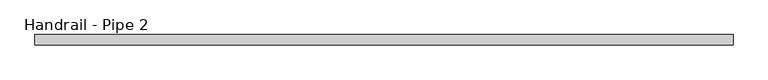
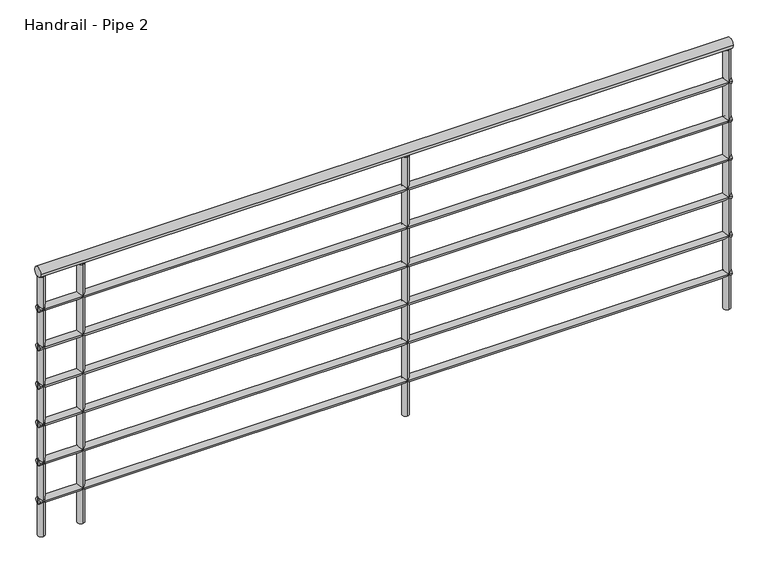
"""IFC4 building model written with IfcOpenShell, lengths in millimetres: railing geometry, Handrail - Pipe 2."""

import ifcopenshell
import ifcopenshell.guid

model = None  # the IFC model being written
_history = None  # IfcOwnerHistory: only IFC2X3 demands one
_inside = {}  # id of a spatial element -> (the spatial element, [elements in it])
_under = {}  # id of a project, library or spatial element -> (it, [spatial elements below it])
_declared = {}  # id of a project -> (the project, [libraries it declares])
_typed = {}  # id of a type object -> (the type object, [elements of that type])
_made_of = {}  # id of a material, layer set ... -> (it, [elements and type objects made of it])


def new_model(schema):
    """Start an empty IFC model of exactly this schema.

    Asked for "IFC4X3", IfcOpenShell would pick the latest addendum, in which some entities
    have other attributes; the version numbers below select the first issue.
    IFC2X3 requires an IfcOwnerHistory on every rooted entity: one is made here for all.
    """
    global model, _history
    if schema == "IFC4X3":
        model = ifcopenshell.file(schema_version=(4, 3, 0, 0))
    else:
        model = ifcopenshell.file(schema=schema)
    _inside.clear()
    _under.clear()
    _declared.clear()
    _typed.clear()
    _made_of.clear()
    _history = None
    if model.schema == "IFC2X3":
        org = make("IfcOrganization", Name="unknown")
        user = make(
            "IfcPersonAndOrganization",
            ThePerson=make("IfcPerson", FamilyName="unknown"),
            TheOrganization=org,
        )
        app = make(
            "IfcApplication",
            ApplicationDeveloper=org,
            Version="unknown",
            ApplicationFullName="unknown",
            ApplicationIdentifier="unknown",
        )
        _history = make(
            "IfcOwnerHistory",
            OwningUser=user,
            OwningApplication=app,
            ChangeAction="ADDED",
            CreationDate=0,
        )
    return model


def make(cls, **values):
    """One entity of the class cls with the attributes given. An attribute that is None is left unset."""
    return model.create_entity(
        cls, **{name: value for name, value in values.items() if value is not None}
    )


def rooted(cls, **values):
    """An entity with a GlobalId (a new one), such as an element, a storey or a relation."""
    return make(cls, GlobalId=ifcopenshell.guid.new(), OwnerHistory=_history, **values)


def si_unit(unit_type, name, prefix=None):
    """IfcSIUnit, for example si_unit("LENGTHUNIT", "METRE", prefix="MILLI")."""
    return make("IfcSIUnit", UnitType=unit_type, Prefix=prefix, Name=name)


def assignment(units):
    """IfcUnitAssignment: the units of a project."""
    return None if units is None else make("IfcUnitAssignment", Units=units)


def point(xyz):
    """IfcCartesianPoint."""
    return None if xyz is None else make("IfcCartesianPoint", Coordinates=xyz)


def direction(xyz):
    """IfcDirection."""
    return None if xyz is None else make("IfcDirection", DirectionRatios=xyz)


def frame(location, z_axis=None, x_axis=None):
    """IfcAxis2Placement3D, a coordinate frame: its origin and axes. An axis left out is left unset."""
    return make(
        "IfcAxis2Placement3D",
        Location=point(location),
        Axis=direction(z_axis),
        RefDirection=direction(x_axis),
    )


def frame_2d(location, x_axis=None):
    """IfcAxis2Placement2D, a coordinate frame in the plane: its origin and x axis."""
    return make(
        "IfcAxis2Placement2D", Location=point(location), RefDirection=direction(x_axis)
    )


def origin():
    """The frame at (0, 0, 0) with its axes left unset."""
    return frame((0.0, 0.0, 0.0))


def place(relative_to, where):
    """IfcLocalPlacement: puts the frame where relative to a parent placement (None: the world)."""
    return make(
        "IfcLocalPlacement", PlacementRelTo=relative_to, RelativePlacement=where
    )


def context(
    kind, dimensions, precision=None, world=None, true_north=None, identifier=None
):
    """IfcGeometricRepresentationContext, for example the 3D "Model" context."""
    return make(
        "IfcGeometricRepresentationContext",
        ContextIdentifier=identifier,
        ContextType=kind,
        CoordinateSpaceDimension=dimensions,
        Precision=precision,
        WorldCoordinateSystem=world,
        TrueNorth=true_north,
    )


def project(units=None, contexts=None):
    """IfcProject with its units and contexts."""
    return rooted(
        "IfcProject",
        Name="project",
        RepresentationContexts=contexts,
        UnitsInContext=assignment(units),
    )


def spatial(cls, under=None, at=None, **own):
    """A site, building, storey or space (cls), placed at a placement, below another one or the project."""
    s = rooted(cls, ObjectPlacement=at, **own)
    if under is not None:
        _under.setdefault(under.id(), (under, []))[1].append(s)
    return s


def circle_curve(where, radius):
    """IfcCircle in the frame where."""
    return make("IfcCircle", Position=where, Radius=radius)


def trimmed(basis, trim1, trim2, sense, master):
    """IfcTrimmedCurve: the piece of a basis curve between two trims."""
    return make(
        "IfcTrimmedCurve",
        BasisCurve=basis,
        Trim1=trim1,
        Trim2=trim2,
        SenseAgreement=sense,
        MasterRepresentation=master,
    )


def segment(curve, same_sense, transition):
    """IfcCompositeCurveSegment."""
    return make(
        "IfcCompositeCurveSegment",
        Transition=transition,
        SameSense=same_sense,
        ParentCurve=curve,
    )


def composite_curve(segments, self_intersect=None):
    """IfcCompositeCurve: segments joined end to end."""
    return make("IfcCompositeCurve", Segments=segments, SelfIntersect=self_intersect)


def outline(outer, holes=None, kind="AREA"):
    """IfcArbitraryClosedProfileDef: a profile drawn as a closed curve; with holes, ...WithVoids."""
    if holes is None:
        return make("IfcArbitraryClosedProfileDef", ProfileType=kind, OuterCurve=outer)
    return make(
        "IfcArbitraryProfileDefWithVoids",
        ProfileType=kind,
        OuterCurve=outer,
        InnerCurves=holes,
    )


def extrude(swept, where, along, depth):
    """IfcExtrudedAreaSolid: the profile swept, set in the frame where, extruded along a direction by depth."""
    return make(
        "IfcExtrudedAreaSolid",
        SweptArea=swept,
        Position=where,
        ExtrudedDirection=direction(along),
        Depth=depth,
    )


def shape(context_of_items, identifier, shape_type, items):
    """IfcShapeRepresentation: the items that make up one representation, for example the "Body"."""
    return make(
        "IfcShapeRepresentation",
        ContextOfItems=context_of_items,
        RepresentationIdentifier=identifier,
        RepresentationType=shape_type,
        Items=items,
    )


def source(mapping_origin, context_of_items, identifier, shape_type, items):
    """IfcRepresentationMap: a shape defined once, which mapped items show again and again."""
    return make(
        "IfcRepresentationMap",
        MappingOrigin=mapping_origin,
        MappedRepresentation=shape(context_of_items, identifier, shape_type, items),
    )


def transform(
    local_origin,
    x_axis=None,
    y_axis=None,
    z_axis=None,
    scale=None,
    scale2=None,
    scale3=None,
    uniform=True,
):
    """IfcCartesianTransformationOperator3D, or its non-uniform kind. x_axis, y_axis, z_axis: its Axis1, 2, 3."""
    if uniform:
        return make(
            "IfcCartesianTransformationOperator3D",
            Axis1=direction(x_axis),
            Axis2=direction(y_axis),
            LocalOrigin=point(local_origin),
            Scale=scale,
            Axis3=direction(z_axis),
        )
    return make(
        "IfcCartesianTransformationOperator3DnonUniform",
        Axis1=direction(x_axis),
        Axis2=direction(y_axis),
        LocalOrigin=point(local_origin),
        Scale=scale,
        Axis3=direction(z_axis),
        Scale2=scale2,
        Scale3=scale3,
    )


def mapped(mapping_source, mapping_target):
    """IfcMappedItem: shows the shape of a source again, moved by a transform."""
    return make(
        "IfcMappedItem", MappingSource=mapping_source, MappingTarget=mapping_target
    )


def made_of(thing, what):
    """Note that an element or type object is made of a material, layer set ...; save() writes the relation."""
    if what is not None:
        _made_of.setdefault(what.id(), (what, []))[1].append(thing)
    return thing


def element(
    cls,
    number,
    at=None,
    inside=None,
    cuts=None,
    type_object=None,
    material=None,
    context=None,
    identifier="Body",
    shape_type=None,
    held_by="IfcProductDefinitionShape",
    body=None,
    shapes=None,
    **own,
):
    """One element of the class cls, such as IfcWall. Its Tag is "e" and its number.

    at: its placement. inside: the storey or other place that contains it. cuts: it is an
    opening in that element (IfcRelVoidsElement). A single representation is given by context,
    identifier, shape_type and body (its items); several are given by shapes. held_by: the class
    of the entity that holds the representations. save() writes the other relations.
    """
    e = rooted(cls, Tag="e%d" % number, ObjectPlacement=at, **own)
    if body is not None:
        shapes = [shape(context, identifier, shape_type, body)]
    if shapes is not None:
        e.Representation = make(held_by, Representations=shapes)
    if inside is not None:
        _inside.setdefault(inside.id(), (inside, []))[1].append(e)
    if cuts is not None:
        rooted(
            "IfcRelVoidsElement", RelatingBuildingElement=cuts, RelatedOpeningElement=e
        )
    if type_object is not None:
        _typed.setdefault(type_object.id(), (type_object, []))[1].append(e)
    return made_of(e, material)


def aggregate(whole, parts):
    """IfcRelAggregates: a whole, such as a stair, and the parts it consists of."""
    return rooted("IfcRelAggregates", RelatingObject=whole, RelatedObjects=parts)


def save(model, path):
    """Write the relations noted so far, then the file.

    IfcRelAggregates (storeys below a building ...), IfcRelContainedInSpatialStructure (elements
    in a storey), IfcRelDefinesByType, IfcRelAssociatesMaterial and IfcRelDeclares: one each for
    every whole, place, type object, material and project.
    """
    for whole, parts in _under.values():
        aggregate(whole, parts)
    for where, things in _inside.values():
        rooted(
            "IfcRelContainedInSpatialStructure",
            RelatedElements=things,
            RelatingStructure=where,
        )
    for kind, things in _typed.values():
        rooted("IfcRelDefinesByType", RelatedObjects=things, RelatingType=kind)
    for what, things in _made_of.values():
        rooted("IfcRelAssociatesMaterial", RelatedObjects=things, RelatingMaterial=what)
    for by, libraries in _declared.values():
        rooted("IfcRelDeclares", RelatingContext=by, RelatedDefinitions=libraries)
    model.write(path)


def handrail_pipe_2_5f0e4795(model_context):
    return source(origin(), model_context, "Body", "SweptSolid", [
        extrude(outline(composite_curve([segment(trimmed(circle_curve(frame_2d((-489.4697691, 4087.75)), 19.05), [point((-508.5197691, 4087.75))], [point((-470.4197691, 4087.75))], False, "CARTESIAN"), True, "CONTINUOUS"), segment(trimmed(circle_curve(frame_2d((-489.4697691, 4087.75)), 19.05), [point((-470.4197691, 4087.75))], [point((-508.5197691, 4087.75))], False, "CARTESIAN"), True, "CONTINUOUS")], self_intersect=False)), frame((12443.6766609, 0.0, 0.0), z_axis=(1.0, 0.0, 0.0), x_axis=(0.0, 1.0, 0.0)), (0.0, 0.0, 1.0), 2600.0),
        extrude(outline(composite_curve([segment(trimmed(circle_curve(frame_2d((-489.4697691, 3941.7)), 12.7), [point((-502.1697691, 3941.7))], [point((-476.7697691, 3941.7))], False, "CARTESIAN"), True, "CONTINUOUS"), segment(trimmed(circle_curve(frame_2d((-489.4697691, 3941.7)), 12.7), [point((-476.7697691, 3941.7))], [point((-502.1697691, 3941.7))], False, "CARTESIAN"), True, "CONTINUOUS")], self_intersect=False)), frame((12443.6766609, 0.0, 0.0), z_axis=(1.0, 0.0, 0.0), x_axis=(0.0, 1.0, 0.0)), (0.0, 0.0, 1.0), 2600.0),
        extrude(outline(composite_curve([segment(trimmed(circle_curve(frame_2d((-489.4697691, 3789.3)), 12.7), [point((-502.1697691, 3789.3))], [point((-476.7697691, 3789.3))], False, "CARTESIAN"), True, "CONTINUOUS"), segment(trimmed(circle_curve(frame_2d((-489.4697691, 3789.3)), 12.7), [point((-476.7697691, 3789.3))], [point((-502.1697691, 3789.3))], False, "CARTESIAN"), True, "CONTINUOUS")], self_intersect=False)), frame((12443.6766609, 0.0, 0.0), z_axis=(1.0, 0.0, 0.0), x_axis=(0.0, 1.0, 0.0)), (0.0, 0.0, 1.0), 2600.0),
        extrude(outline(composite_curve([segment(trimmed(circle_curve(frame_2d((-489.4697691, 3636.9)), 12.7), [point((-502.1697691, 3636.9))], [point((-476.7697691, 3636.9))], False, "CARTESIAN"), True, "CONTINUOUS"), segment(trimmed(circle_curve(frame_2d((-489.4697691, 3636.9)), 12.7), [point((-476.7697691, 3636.9))], [point((-502.1697691, 3636.9))], False, "CARTESIAN"), True, "CONTINUOUS")], self_intersect=False)), frame((12443.6766609, 0.0, 0.0), z_axis=(1.0, 0.0, 0.0), x_axis=(0.0, 1.0, 0.0)), (0.0, 0.0, 1.0), 2600.0),
        extrude(outline(composite_curve([segment(trimmed(circle_curve(frame_2d((-489.4697691, 3484.5)), 12.7), [point((-502.1697691, 3484.5))], [point((-476.7697691, 3484.5))], False, "CARTESIAN"), True, "CONTINUOUS"), segment(trimmed(circle_curve(frame_2d((-489.4697691, 3484.5)), 12.7), [point((-476.7697691, 3484.5))], [point((-502.1697691, 3484.5))], False, "CARTESIAN"), True, "CONTINUOUS")], self_intersect=False)), frame((12443.6766609, 0.0, 0.0), z_axis=(1.0, 0.0, 0.0), x_axis=(0.0, 1.0, 0.0)), (0.0, 0.0, 1.0), 2600.0),
        extrude(outline(composite_curve([segment(trimmed(circle_curve(frame_2d((-489.4697691, 3332.1)), 12.7), [point((-502.1697691, 3332.1))], [point((-476.7697691, 3332.1))], False, "CARTESIAN"), True, "CONTINUOUS"), segment(trimmed(circle_curve(frame_2d((-489.4697691, 3332.1)), 12.7), [point((-476.7697691, 3332.1))], [point((-502.1697691, 3332.1))], False, "CARTESIAN"), True, "CONTINUOUS")], self_intersect=False)), frame((12443.6766609, 0.0, 0.0), z_axis=(1.0, 0.0, 0.0), x_axis=(0.0, 1.0, 0.0)), (0.0, 0.0, 1.0), 2600.0),
        extrude(outline(composite_curve([segment(trimmed(circle_curve(frame_2d((-489.4697691, 3179.7)), 12.7), [point((-502.1697691, 3179.7))], [point((-476.7697691, 3179.7))], False, "CARTESIAN"), True, "CONTINUOUS"), segment(trimmed(circle_curve(frame_2d((-489.4697691, 3179.7)), 12.7), [point((-476.7697691, 3179.7))], [point((-502.1697691, 3179.7))], False, "CARTESIAN"), True, "CONTINUOUS")], self_intersect=False)), frame((12443.6766609, 0.0, 0.0), z_axis=(1.0, 0.0, 0.0), x_axis=(0.0, 1.0, 0.0)), (0.0, 0.0, 1.0), 2600.0),
        extrude(outline(composite_curve([segment(trimmed(circle_curve(frame_2d((12605.2766609, -489.4697691)), 12.7), [point((12605.2766609, -502.1697691))], [point((12605.2766609, -476.7697691))], False, "CARTESIAN"), True, "CONTINUOUS"), segment(trimmed(circle_curve(frame_2d((12605.2766609, -489.4697691)), 12.7), [point((12605.2766609, -476.7697691))], [point((12605.2766609, -502.1697691))], False, "CARTESIAN"), True, "CONTINUOUS")], self_intersect=False)), frame((0.0, 0.0, 3040.0), z_axis=(0.0, 0.0, 1.0), x_axis=(1.0, 0.0, 0.0)), (0.0, 0.0, 1.0), 1028.7),
        extrude(outline(composite_curve([segment(trimmed(circle_curve(frame_2d((13824.4766609, -489.4697691)), 12.7), [point((13824.4766609, -502.1697691))], [point((13824.4766609, -476.7697691))], False, "CARTESIAN"), True, "CONTINUOUS"), segment(trimmed(circle_curve(frame_2d((13824.4766609, -489.4697691)), 12.7), [point((13824.4766609, -476.7697691))], [point((13824.4766609, -502.1697691))], False, "CARTESIAN"), True, "CONTINUOUS")], self_intersect=False)), frame((0.0, 0.0, 3040.0), z_axis=(0.0, 0.0, 1.0), x_axis=(1.0, 0.0, 0.0)), (0.0, 0.0, 1.0), 1028.7),
        extrude(outline(composite_curve([segment(trimmed(circle_curve(frame_2d((12456.3766609, -489.4697691)), 12.7), [point((12456.3766609, -502.1697691))], [point((12456.3766609, -476.7697691))], False, "CARTESIAN"), True, "CONTINUOUS"), segment(trimmed(circle_curve(frame_2d((12456.3766609, -489.4697691)), 12.7), [point((12456.3766609, -476.7697691))], [point((12456.3766609, -502.1697691))], False, "CARTESIAN"), True, "CONTINUOUS")], self_intersect=False)), frame((0.0, 0.0, 3040.0), z_axis=(0.0, 0.0, 1.0), x_axis=(1.0, 0.0, 0.0)), (0.0, 0.0, 1.0), 1028.7),
        extrude(outline(composite_curve([segment(trimmed(circle_curve(frame_2d((15030.9766609, -489.4697691)), 12.7), [point((15030.9766609, -502.1697691))], [point((15030.9766609, -476.7697691))], False, "CARTESIAN"), True, "CONTINUOUS"), segment(trimmed(circle_curve(frame_2d((15030.9766609, -489.4697691)), 12.7), [point((15030.9766609, -476.7697691))], [point((15030.9766609, -502.1697691))], False, "CARTESIAN"), True, "CONTINUOUS")], self_intersect=False)), frame((0.0, 0.0, 3040.0), z_axis=(0.0, 0.0, 1.0), x_axis=(1.0, 0.0, 0.0)), (0.0, 0.0, 1.0), 1028.7),
    ])


if __name__ == "__main__":
    model = new_model("IFC4")
    model_context = context("Model", 3, world=origin())
    ifc_project = project(units=[si_unit("LENGTHUNIT", "METRE", prefix="MILLI")], contexts=[model_context])
    site = spatial("IfcSite", under=ifc_project)
    building = spatial("IfcBuilding", under=site)
    placement = place(None, origin())
    handrail_pipe_2_shape = handrail_pipe_2_5f0e4795(model_context)
    element("IfcRailing", 1, ObjectType="Handrail - Pipe 2", at=placement, inside=building, context=model_context, shape_type="MappedRepresentation", body=[
        mapped(handrail_pipe_2_shape, transform((0.0, 0.0, 0.0), x_axis=(1.0, 0.0, 0.0), y_axis=(0.0, 1.0, 0.0), z_axis=(0.0, 0.0, 1.0))),
    ])
    save(model, "model.ifc")
